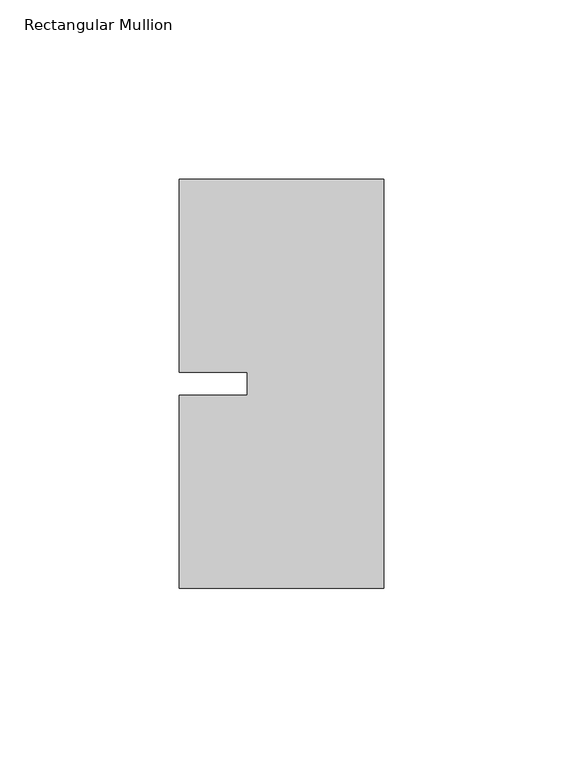
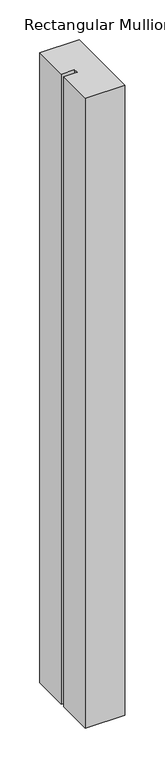
"""IFC4 building model written with IfcOpenShell, lengths in millimetres: member geometry, Rectangular Mullion."""

from ifc_helpers import new_model, si_unit, frame, origin, place, context, project, spatial, polyline, outline, extrude, source, transform, mapped, element, save


def rectangular_mullion_fd3d426a(model_context):
    return source(origin(), model_context, "Body", "SweptSolid", [
        extrude(outline(polyline([(-57.15, 57.15), (0.0, 57.15), (0.0, -57.15), (-57.15, -57.15), (-57.15, -3.175), (-38.1, -3.175), (-38.1, 3.175), (-57.15, 3.175), (-57.15, 57.15)])), frame((0.0, 0.0, -965.2), z_axis=(0.0, 0.0, 1.0), x_axis=(1.0, 0.0, 0.0)), (0.0, 0.0, 1.0), 965.2),
    ])


if __name__ == "__main__":
    model = new_model("IFC4")
    model_context = context("Model", 3, world=origin())
    ifc_project = project(units=[si_unit("LENGTHUNIT", "METRE", prefix="MILLI")], contexts=[model_context])
    site = spatial("IfcSite", under=ifc_project)
    building = spatial("IfcBuilding", under=site)
    placement = place(None, origin())
    rectangular_mullion_shape = rectangular_mullion_fd3d426a(model_context)
    element("IfcMember", 1, ObjectType="Rectangular Mullion", at=placement, inside=building, context=model_context, shape_type="MappedRepresentation", body=[
        mapped(rectangular_mullion_shape, transform((0.0, 0.0, 0.0), x_axis=(1.0, 0.0, 0.0), y_axis=(0.0, 1.0, 0.0), z_axis=(0.0, 0.0, 1.0))),
    ])
    save(model, "model.ifc")
